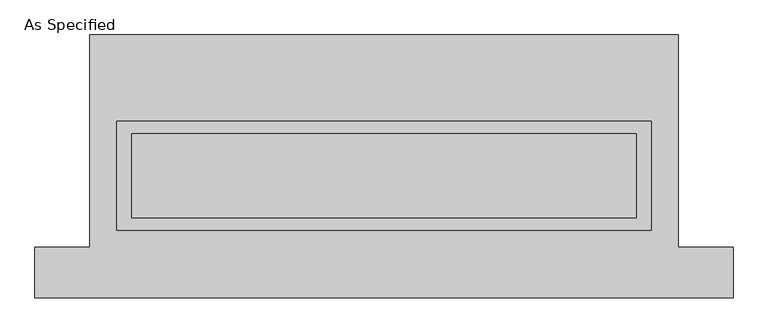
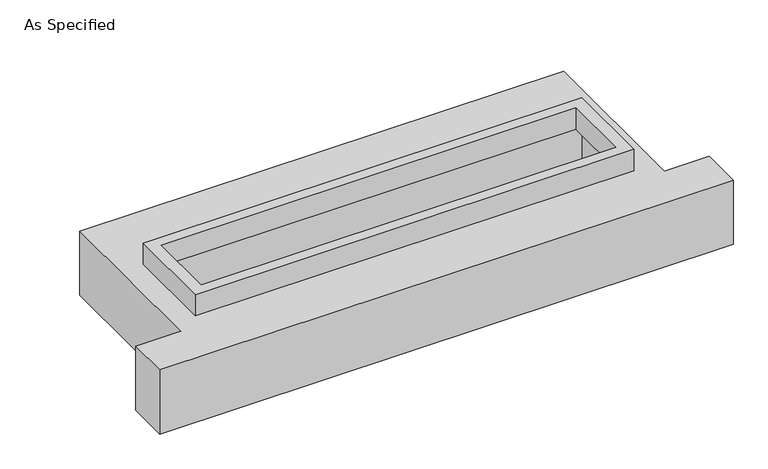
"""IFC4 building model written with IfcOpenShell, lengths in millimetres: proxy geometry, As Specified."""

import ifcopenshell
import ifcopenshell.guid

model = None  # the IFC model being written
_history = None  # IfcOwnerHistory: only IFC2X3 demands one
_inside = {}  # id of a spatial element -> (the spatial element, [elements in it])
_under = {}  # id of a project, library or spatial element -> (it, [spatial elements below it])
_declared = {}  # id of a project -> (the project, [libraries it declares])
_typed = {}  # id of a type object -> (the type object, [elements of that type])
_made_of = {}  # id of a material, layer set ... -> (it, [elements and type objects made of it])


def new_model(schema):
    """Start an empty IFC model of exactly this schema.

    Asked for "IFC4X3", IfcOpenShell would pick the latest addendum, in which some entities
    have other attributes; the version numbers below select the first issue.
    IFC2X3 requires an IfcOwnerHistory on every rooted entity: one is made here for all.
    """
    global model, _history
    if schema == "IFC4X3":
        model = ifcopenshell.file(schema_version=(4, 3, 0, 0))
    else:
        model = ifcopenshell.file(schema=schema)
    _inside.clear()
    _under.clear()
    _declared.clear()
    _typed.clear()
    _made_of.clear()
    _history = None
    if model.schema == "IFC2X3":
        org = make("IfcOrganization", Name="unknown")
        user = make(
            "IfcPersonAndOrganization",
            ThePerson=make("IfcPerson", FamilyName="unknown"),
            TheOrganization=org,
        )
        app = make(
            "IfcApplication",
            ApplicationDeveloper=org,
            Version="unknown",
            ApplicationFullName="unknown",
            ApplicationIdentifier="unknown",
        )
        _history = make(
            "IfcOwnerHistory",
            OwningUser=user,
            OwningApplication=app,
            ChangeAction="ADDED",
            CreationDate=0,
        )
    return model


def make(cls, **values):
    """One entity of the class cls with the attributes given. An attribute that is None is left unset."""
    return model.create_entity(
        cls, **{name: value for name, value in values.items() if value is not None}
    )


def rooted(cls, **values):
    """An entity with a GlobalId (a new one), such as an element, a storey or a relation."""
    return make(cls, GlobalId=ifcopenshell.guid.new(), OwnerHistory=_history, **values)


def si_unit(unit_type, name, prefix=None):
    """IfcSIUnit, for example si_unit("LENGTHUNIT", "METRE", prefix="MILLI")."""
    return make("IfcSIUnit", UnitType=unit_type, Prefix=prefix, Name=name)


def assignment(units):
    """IfcUnitAssignment: the units of a project."""
    return None if units is None else make("IfcUnitAssignment", Units=units)


def point(xyz):
    """IfcCartesianPoint."""
    return None if xyz is None else make("IfcCartesianPoint", Coordinates=xyz)


def direction(xyz):
    """IfcDirection."""
    return None if xyz is None else make("IfcDirection", DirectionRatios=xyz)


def frame(location, z_axis=None, x_axis=None):
    """IfcAxis2Placement3D, a coordinate frame: its origin and axes. An axis left out is left unset."""
    return make(
        "IfcAxis2Placement3D",
        Location=point(location),
        Axis=direction(z_axis),
        RefDirection=direction(x_axis),
    )


def origin():
    """The frame at (0, 0, 0) with its axes left unset."""
    return frame((0.0, 0.0, 0.0))


def place(relative_to, where):
    """IfcLocalPlacement: puts the frame where relative to a parent placement (None: the world)."""
    return make(
        "IfcLocalPlacement", PlacementRelTo=relative_to, RelativePlacement=where
    )


def context(
    kind, dimensions, precision=None, world=None, true_north=None, identifier=None
):
    """IfcGeometricRepresentationContext, for example the 3D "Model" context."""
    return make(
        "IfcGeometricRepresentationContext",
        ContextIdentifier=identifier,
        ContextType=kind,
        CoordinateSpaceDimension=dimensions,
        Precision=precision,
        WorldCoordinateSystem=world,
        TrueNorth=true_north,
    )


def project(units=None, contexts=None):
    """IfcProject with its units and contexts."""
    return rooted(
        "IfcProject",
        Name="project",
        RepresentationContexts=contexts,
        UnitsInContext=assignment(units),
    )


def spatial(cls, under=None, at=None, **own):
    """A site, building, storey or space (cls), placed at a placement, below another one or the project."""
    s = rooted(cls, ObjectPlacement=at, **own)
    if under is not None:
        _under.setdefault(under.id(), (under, []))[1].append(s)
    return s


def polyline(points):
    """IfcPolyline through the points."""
    return make("IfcPolyline", Points=[point(p) for p in points])


def outline(outer, holes=None, kind="AREA"):
    """IfcArbitraryClosedProfileDef: a profile drawn as a closed curve; with holes, ...WithVoids."""
    if holes is None:
        return make("IfcArbitraryClosedProfileDef", ProfileType=kind, OuterCurve=outer)
    return make(
        "IfcArbitraryProfileDefWithVoids",
        ProfileType=kind,
        OuterCurve=outer,
        InnerCurves=holes,
    )


def extrude(swept, where, along, depth):
    """IfcExtrudedAreaSolid: the profile swept, set in the frame where, extruded along a direction by depth."""
    return make(
        "IfcExtrudedAreaSolid",
        SweptArea=swept,
        Position=where,
        ExtrudedDirection=direction(along),
        Depth=depth,
    )


def faces_of(points, faces, orient=None, outer=None):
    """IfcFace entities. A face is a list of loops; a loop is a list of indices into points, from 0.

    orient and outer hold one flag for each loop. By default every Orientation is true, the
    first loop of a face is its IfcFaceOuterBound and the others are IfcFaceBound.
    """
    made = []
    for i, loops in enumerate(faces):
        bounds = []
        for j, loop in enumerate(loops):
            is_outer = j == 0 if outer is None else outer[i][j]
            bounds.append(
                make(
                    "IfcFaceOuterBound" if is_outer else "IfcFaceBound",
                    Bound=make("IfcPolyLoop", Polygon=[points[k] for k in loop]),
                    Orientation=True if orient is None else orient[i][j],
                )
            )
        made.append(make("IfcFace", Bounds=bounds))
    return made


def faceted_brep(points, faces, orient=None, outer=None, voids=None):
    """IfcFacetedBrep: a solid bounded by flat faces; with voids (closed shells), ...WithVoids."""
    shared = [point(p) for p in points]
    hull = make("IfcClosedShell", CfsFaces=faces_of(shared, faces, orient, outer))
    if voids is None:
        return make("IfcFacetedBrep", Outer=hull)
    return make(
        "IfcFacetedBrepWithVoids",
        Outer=hull,
        Voids=[
            make(cls, CfsFaces=faces_of(shared, fs, o, b)) for cls, fs, o, b in voids
        ],
    )


def shape(context_of_items, identifier, shape_type, items):
    """IfcShapeRepresentation: the items that make up one representation, for example the "Body"."""
    return make(
        "IfcShapeRepresentation",
        ContextOfItems=context_of_items,
        RepresentationIdentifier=identifier,
        RepresentationType=shape_type,
        Items=items,
    )


def source(mapping_origin, context_of_items, identifier, shape_type, items):
    """IfcRepresentationMap: a shape defined once, which mapped items show again and again."""
    return make(
        "IfcRepresentationMap",
        MappingOrigin=mapping_origin,
        MappedRepresentation=shape(context_of_items, identifier, shape_type, items),
    )


def transform(
    local_origin,
    x_axis=None,
    y_axis=None,
    z_axis=None,
    scale=None,
    scale2=None,
    scale3=None,
    uniform=True,
):
    """IfcCartesianTransformationOperator3D, or its non-uniform kind. x_axis, y_axis, z_axis: its Axis1, 2, 3."""
    if uniform:
        return make(
            "IfcCartesianTransformationOperator3D",
            Axis1=direction(x_axis),
            Axis2=direction(y_axis),
            LocalOrigin=point(local_origin),
            Scale=scale,
            Axis3=direction(z_axis),
        )
    return make(
        "IfcCartesianTransformationOperator3DnonUniform",
        Axis1=direction(x_axis),
        Axis2=direction(y_axis),
        LocalOrigin=point(local_origin),
        Scale=scale,
        Axis3=direction(z_axis),
        Scale2=scale2,
        Scale3=scale3,
    )


def mapped(mapping_source, mapping_target):
    """IfcMappedItem: shows the shape of a source again, moved by a transform."""
    return make(
        "IfcMappedItem", MappingSource=mapping_source, MappingTarget=mapping_target
    )


def made_of(thing, what):
    """Note that an element or type object is made of a material, layer set ...; save() writes the relation."""
    if what is not None:
        _made_of.setdefault(what.id(), (what, []))[1].append(thing)
    return thing


def element(
    cls,
    number,
    at=None,
    inside=None,
    cuts=None,
    type_object=None,
    material=None,
    context=None,
    identifier="Body",
    shape_type=None,
    held_by="IfcProductDefinitionShape",
    body=None,
    shapes=None,
    **own,
):
    """One element of the class cls, such as IfcWall. Its Tag is "e" and its number.

    at: its placement. inside: the storey or other place that contains it. cuts: it is an
    opening in that element (IfcRelVoidsElement). A single representation is given by context,
    identifier, shape_type and body (its items); several are given by shapes. held_by: the class
    of the entity that holds the representations. save() writes the other relations.
    """
    e = rooted(cls, Tag="e%d" % number, ObjectPlacement=at, **own)
    if body is not None:
        shapes = [shape(context, identifier, shape_type, body)]
    if shapes is not None:
        e.Representation = make(held_by, Representations=shapes)
    if inside is not None:
        _inside.setdefault(inside.id(), (inside, []))[1].append(e)
    if cuts is not None:
        rooted(
            "IfcRelVoidsElement", RelatingBuildingElement=cuts, RelatedOpeningElement=e
        )
    if type_object is not None:
        _typed.setdefault(type_object.id(), (type_object, []))[1].append(e)
    return made_of(e, material)


def aggregate(whole, parts):
    """IfcRelAggregates: a whole, such as a stair, and the parts it consists of."""
    return rooted("IfcRelAggregates", RelatingObject=whole, RelatedObjects=parts)


def save(model, path):
    """Write the relations noted so far, then the file.

    IfcRelAggregates (storeys below a building ...), IfcRelContainedInSpatialStructure (elements
    in a storey), IfcRelDefinesByType, IfcRelAssociatesMaterial and IfcRelDeclares: one each for
    every whole, place, type object, material and project.
    """
    for whole, parts in _under.values():
        aggregate(whole, parts)
    for where, things in _inside.values():
        rooted(
            "IfcRelContainedInSpatialStructure",
            RelatedElements=things,
            RelatingStructure=where,
        )
    for kind, things in _typed.values():
        rooted("IfcRelDefinesByType", RelatedObjects=things, RelatingType=kind)
    for what, things in _made_of.values():
        rooted("IfcRelAssociatesMaterial", RelatedObjects=things, RelatingMaterial=what)
    for by, libraries in _declared.values():
        rooted("IfcRelDeclares", RelatingContext=by, RelatedDefinitions=libraries)
    model.write(path)


def as_specified_28458c69(model_context):
    return source(origin(), model_context, "Body", "SolidModel", [
        extrude(outline(polyline([(1612.9, 273.05), (1612.9, -387.35), (-1612.9, -387.35), (-1612.9, 273.05), (1612.9, 273.05)]), holes=[polyline([(1524.0, 196.85), (-1524.0, 196.85), (-1524.0, -311.15), (1524.0, -311.15), (1524.0, 196.85)])]), frame((0.0, 0.0, -25.4), z_axis=(0.0, 0.0, 1.0), x_axis=(1.0, 0.0, 0.0)), (0.0, 0.0, 1.0), 165.1),
        faceted_brep([(-1778.0, 793.75, -523.875), (1778.0, 793.75, -523.875), (1778.0, -488.95, -523.875), (2108.2, -488.95, -523.875), (2108.2, -793.75, -523.875), (-2108.2, -793.75, -523.875), (-2108.2, -488.95, -523.875), (-1778.0, -488.95, -523.875), (1778.0, 793.75, -25.4), (-1778.0, 793.75, -25.4), (-1778.0, -488.95, -25.4), (-2108.2, -488.95, -25.4), (-2108.2, -793.75, -25.4), (2108.2, -793.75, -25.4), (2108.2, -488.95, -25.4), (1778.0, -488.95, -25.4), (-1612.9, -387.35, -25.4), (-1612.9, 273.05, -25.4), (1612.9, 273.05, -25.4), (1612.9, -387.35, -25.4), (1612.9, 273.05, -498.475), (-1612.9, 273.05, -498.475), (-1612.9, -387.35, -498.475), (1612.9, -387.35, -498.475)], [[[0, 1, 2, 3, 4, 5, 6, 7]], [[8, 9, 10, 11, 12, 13, 14, 15], [16, 17, 18, 19]], [[1, 0, 9, 8]], [[9, 0, 7, 10]], [[1, 8, 15, 2]], [[20, 21, 22, 23]], [[22, 21, 17, 16]], [[21, 20, 18, 17]], [[20, 23, 19, 18]], [[23, 22, 16, 19]], [[5, 4, 13, 12]], [[3, 2, 15, 14]], [[4, 3, 14, 13]], [[7, 6, 11, 10]], [[6, 5, 12, 11]]]),
    ])


if __name__ == "__main__":
    model = new_model("IFC4")
    model_context = context("Model", 3, world=origin())
    ifc_project = project(units=[si_unit("LENGTHUNIT", "METRE", prefix="MILLI")], contexts=[model_context])
    site = spatial("IfcSite", under=ifc_project)
    building = spatial("IfcBuilding", under=site)
    placement = place(None, origin())
    as_specified_shape = as_specified_28458c69(model_context)
    element("IfcBuildingElementProxy", 1, Name="As Specified", ObjectType="As Specified", at=placement, inside=building, context=model_context, shape_type="MappedRepresentation", body=[
        mapped(as_specified_shape, transform((0.0, 0.0, 0.0), x_axis=(1.0, 0.0, 0.0), y_axis=(0.0, 1.0, 0.0), z_axis=(0.0, 0.0, 1.0))),
    ])
    save(model, "model.ifc")
